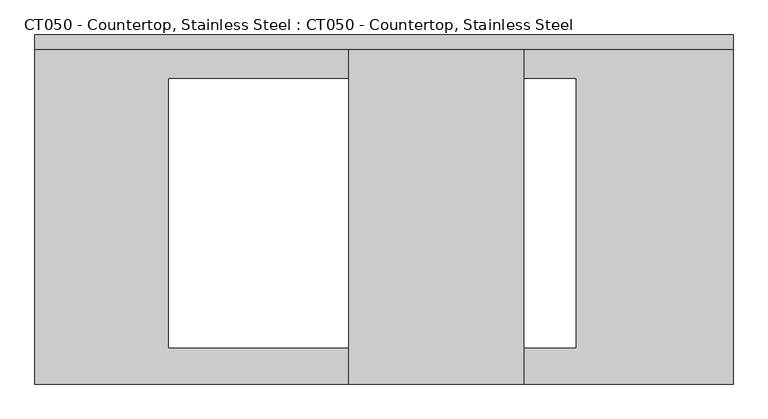
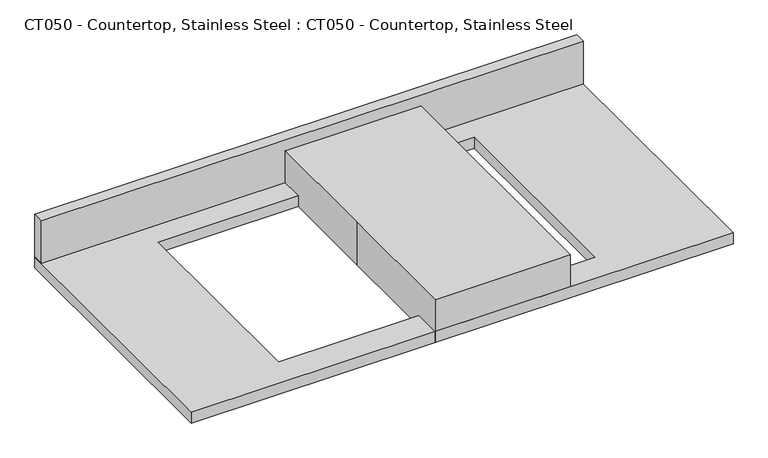
"""IFC4 building model written with IfcOpenShell, lengths in millimetres: proxy geometry, CT050 - Countertop, Stainless Steel : CT050 - Countertop, Stainless Steel."""

from ifc_helpers import new_model, si_unit, frame, origin, origin_with_axes, place, context, project, spatial, polyline, outline, extrude, source, transform, mapped, element, save


def ct050_countertop_stainless_steel_ct050_countertop_stainless_4078c409(model_context):
    return source(origin(), model_context, "Body", "SweptSolid", [
        extrude(outline(polyline([(518.3557595, 304.8), (518.3557595, -304.8), (-700.8442405, -304.8), (-700.8442405, 304.8), (518.3557595, 304.8)]), holes=[polyline([(243.7182595, 228.6), (-467.4817406, 228.6), (-467.4817406, -241.3), (243.7182595, -241.3), (243.7182595, 228.6)])]), origin_with_axes(), (0.0, 0.0, 1.0), 25.4),
        extrude(outline(polyline([(-700.8442405, 279.4), (-700.8442405, 304.8), (518.3557595, 304.8), (518.3557595, 279.4), (-700.8442405, 279.4)])), frame((0.0, 0.0, 25.4), z_axis=(0.0, 0.0, 1.0), x_axis=(1.0, 0.0, 0.0)), (0.0, 0.0, 1.0), 101.6),
        extrude(outline(polyline([(-152.4, 304.8), (152.4, 304.8), (152.4, -304.8), (-152.4, -304.8), (-152.4, 0.0), (-152.4, 304.8)])), origin_with_axes(), (0.0, 0.0, 1.0), 101.6),
    ])


if __name__ == "__main__":
    model = new_model("IFC4")
    model_context = context("Model", 3, world=origin())
    ifc_project = project(units=[si_unit("LENGTHUNIT", "METRE", prefix="MILLI")], contexts=[model_context])
    site = spatial("IfcSite", under=ifc_project)
    building = spatial("IfcBuilding", under=site)
    placement = place(None, origin())
    ct050_countertop_stainless_steel_ct050_countertop_stainless_shape = ct050_countertop_stainless_steel_ct050_countertop_stainless_4078c409(model_context)
    element("IfcBuildingElementProxy", 1, Name="CT050 - Countertop, Stainless Steel : CT050 - Countertop, Stainless Steel", ObjectType="CT050 - Countertop, Stainless Steel : CT050 - Countertop, Stainless Steel", at=placement, inside=building, context=model_context, shape_type="MappedRepresentation", body=[
        mapped(ct050_countertop_stainless_steel_ct050_countertop_stainless_shape, transform((0.0, 0.0, 0.0), x_axis=(1.0, 0.0, 0.0), y_axis=(0.0, 1.0, 0.0), z_axis=(0.0, 0.0, 1.0))),
    ])
    save(model, "model.ifc")
